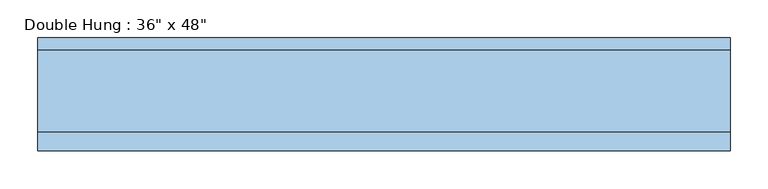
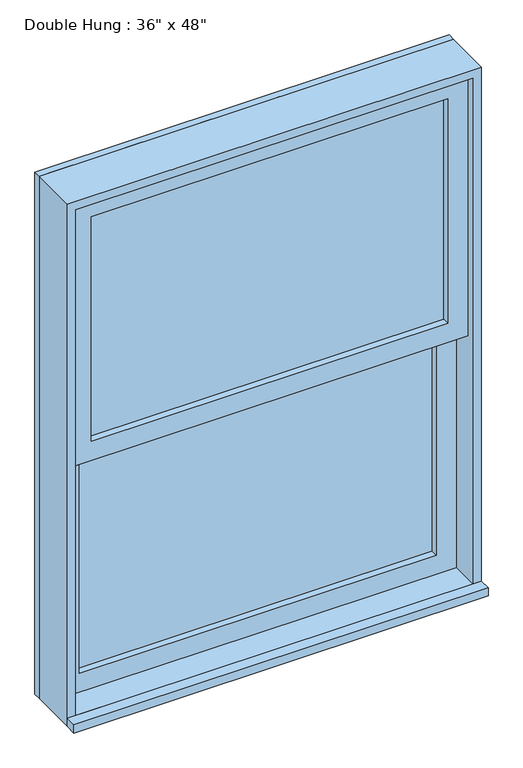
"""IFC4 building model written with IfcOpenShell, lengths in millimetres: window geometry."""

from ifc_helpers import new_model, si_unit, frame, origin, place, context, project, spatial, polyline, outline, extrude, source, transform, mapped, element, save


def window_77716239(model_context):
    return source(origin(), model_context, "Body", "SweptSolid", [
        extrude(outline(polyline([(-393.7, 17.4625), (-393.7, 30.1625), (393.7, 30.1625), (393.7, 17.4625), (-393.7, 17.4625)])), frame((0.0, 0.0, 977.9), z_axis=(0.0, 0.0, 1.0), x_axis=(1.0, 0.0, 0.0)), (0.0, 0.0, 1.0), 523.875),
        extrude(outline(polyline([(1546.225, -438.15), (933.45, -438.15), (933.45, 438.15), (1546.225, 438.15), (1546.225, -438.15)]), holes=[polyline([(1501.775, -393.7), (1501.775, 393.7), (977.9, 393.7), (977.9, -393.7), (1501.775, -393.7)])]), frame((0.0, 1.5875, 0.0), z_axis=(0.0, 1.0, 0.0), x_axis=(0.0, 0.0, 1.0)), (0.0, 0.0, 1.0), 44.45),
        extrude(outline(polyline([(-457.2, -87.3125), (-457.2, -61.9125), (457.2, -61.9125), (457.2, -87.3125), (-457.2, -87.3125)])), frame((0.0, 0.0, 914.4), z_axis=(0.0, 0.0, 1.0), x_axis=(1.0, 0.0, 0.0)), (0.0, 0.0, 1.0), 19.05),
        extrude(outline(polyline([(393.7, -14.2875), (393.7, -26.9875), (-393.7, -26.9875), (-393.7, -14.2875), (393.7, -14.2875)])), frame((0.0, 0.0, 1546.225), z_axis=(0.0, 0.0, 1.0), x_axis=(1.0, 0.0, 0.0)), (0.0, 0.0, 1.0), 523.875),
        extrude(outline(polyline([(2114.55, -438.15), (1501.775, -438.15), (1501.775, 438.15), (2114.55, 438.15), (2114.55, -438.15)]), holes=[polyline([(2070.1, -393.7), (2070.1, 393.7), (1546.225, 393.7), (1546.225, -393.7), (2070.1, -393.7)])]), frame((0.0, -42.8625, 0.0), z_axis=(0.0, 1.0, 0.0), x_axis=(0.0, 0.0, 1.0)), (0.0, 0.0, 1.0), 44.45),
        extrude(outline(polyline([(2133.6, -457.2), (914.4, -457.2), (914.4, 457.2), (2133.6, 457.2), (2133.6, -457.2)]), holes=[polyline([(2101.85, -425.45), (2101.85, 425.45), (946.15, 425.45), (946.15, -425.45), (2101.85, -425.45)])]), frame((0.0, 46.0375, 0.0), z_axis=(0.0, 1.0, 0.0), x_axis=(0.0, 0.0, 1.0)), (0.0, 0.0, 1.0), 15.875),
        extrude(outline(polyline([(2133.6, 457.2), (2133.6, -457.2), (914.4, -457.2), (914.4, 457.2), (2133.6, 457.2)]), holes=[polyline([(2114.55, 438.15), (933.45, 438.15), (933.45, -438.15), (2114.55, -438.15), (2114.55, 438.15)])]), frame((0.0, -61.9125, 0.0), z_axis=(0.0, 1.0, 0.0), x_axis=(0.0, 0.0, 1.0)), (0.0, 0.0, 1.0), 107.95),
    ])


if __name__ == "__main__":
    model = new_model("IFC4")
    model_context = context("Model", 3, world=origin())
    ifc_project = project(units=[si_unit("LENGTHUNIT", "METRE", prefix="MILLI")], contexts=[model_context])
    site = spatial("IfcSite", under=ifc_project)
    building = spatial("IfcBuilding", under=site)
    placement = place(None, origin())
    window_shape = window_77716239(model_context)
    element("IfcWindow", 1, ObjectType="Double Hung : 36\" x 48\"", at=placement, inside=building, context=model_context, shape_type="MappedRepresentation", body=[
        mapped(window_shape, transform((0.0, 0.0, 0.0), x_axis=(1.0, 0.0, 0.0), y_axis=(0.0, 1.0, 0.0), z_axis=(0.0, 0.0, 1.0))),
    ])
    save(model, "model.ifc")
